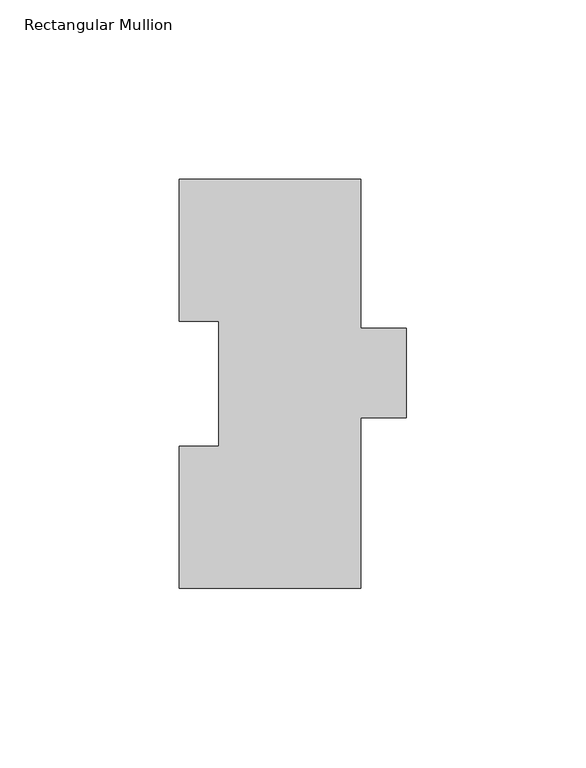
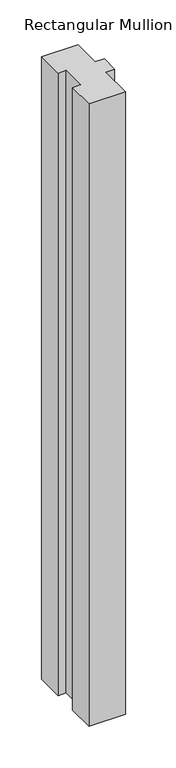
"""IFC4 building model written with IfcOpenShell, lengths in millimetres: member geometry, Rectangular Mullion."""

from ifc_helpers import new_model, si_unit, frame, origin, place, context, project, spatial, polyline, outline, extrude, source, transform, mapped, element, save


def rectangular_mullion_b4081b91(model_context):
    return source(origin(), model_context, "Body", "SweptSolid", [
        extrude(outline(polyline([(-25.4, 114.271425), (25.4, 114.271425), (25.4, 72.564625), (38.1, 72.564625), (38.1, 47.596425), (25.4, 47.596425), (25.4, -0.028575), (-25.4, -0.028575), (-25.4, 39.646225), (-14.2875, 39.646225), (-14.2875, 74.596625), (-25.4, 74.596625), (-25.4, 114.271425)])), frame((0.0, 0.0, -914.4), z_axis=(0.0, 0.0, 1.0), x_axis=(1.0, 0.0, 0.0)), (0.0, 0.0, 1.0), 914.4),
    ])


if __name__ == "__main__":
    model = new_model("IFC4")
    model_context = context("Model", 3, world=origin())
    ifc_project = project(units=[si_unit("LENGTHUNIT", "METRE", prefix="MILLI")], contexts=[model_context])
    site = spatial("IfcSite", under=ifc_project)
    building = spatial("IfcBuilding", under=site)
    placement = place(None, origin())
    rectangular_mullion_shape = rectangular_mullion_b4081b91(model_context)
    element("IfcMember", 1, ObjectType="Rectangular Mullion", at=placement, inside=building, context=model_context, shape_type="MappedRepresentation", body=[
        mapped(rectangular_mullion_shape, transform((0.0, 0.0, 0.0), x_axis=(1.0, 0.0, 0.0), y_axis=(0.0, 1.0, 0.0), z_axis=(0.0, 0.0, 1.0))),
    ])
    save(model, "model.ifc")
